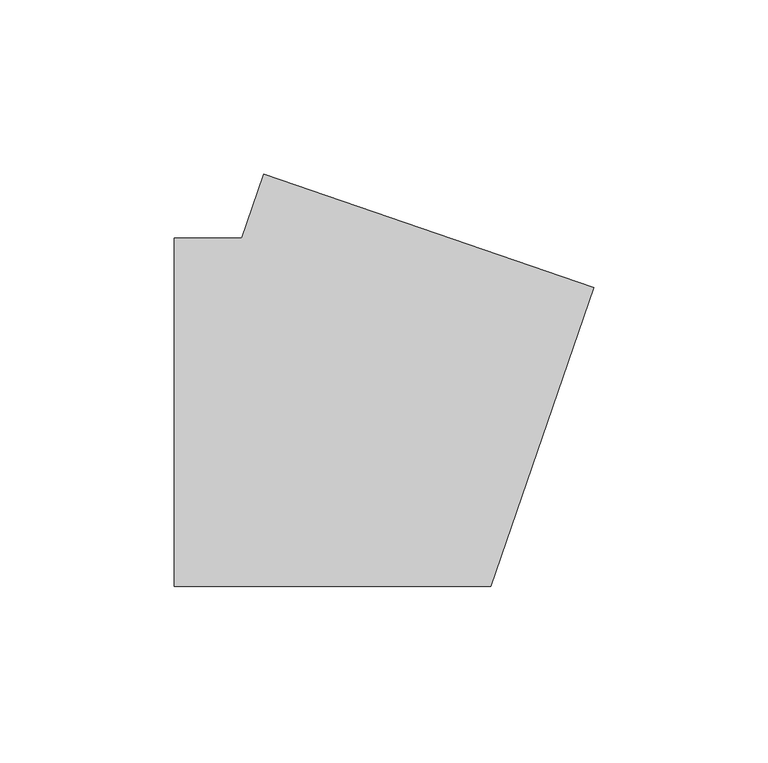
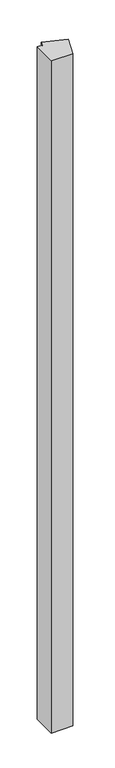
"""IFC4 building model written with IfcOpenShell, lengths in millimetres: member geometry."""

import ifcopenshell
import ifcopenshell.guid

model = None  # the IFC model being written
_history = None  # IfcOwnerHistory: only IFC2X3 demands one
_inside = {}  # id of a spatial element -> (the spatial element, [elements in it])
_under = {}  # id of a project, library or spatial element -> (it, [spatial elements below it])
_declared = {}  # id of a project -> (the project, [libraries it declares])
_typed = {}  # id of a type object -> (the type object, [elements of that type])
_made_of = {}  # id of a material, layer set ... -> (it, [elements and type objects made of it])


def new_model(schema):
    """Start an empty IFC model of exactly this schema.

    Asked for "IFC4X3", IfcOpenShell would pick the latest addendum, in which some entities
    have other attributes; the version numbers below select the first issue.
    IFC2X3 requires an IfcOwnerHistory on every rooted entity: one is made here for all.
    """
    global model, _history
    if schema == "IFC4X3":
        model = ifcopenshell.file(schema_version=(4, 3, 0, 0))
    else:
        model = ifcopenshell.file(schema=schema)
    _inside.clear()
    _under.clear()
    _declared.clear()
    _typed.clear()
    _made_of.clear()
    _history = None
    if model.schema == "IFC2X3":
        org = make("IfcOrganization", Name="unknown")
        user = make(
            "IfcPersonAndOrganization",
            ThePerson=make("IfcPerson", FamilyName="unknown"),
            TheOrganization=org,
        )
        app = make(
            "IfcApplication",
            ApplicationDeveloper=org,
            Version="unknown",
            ApplicationFullName="unknown",
            ApplicationIdentifier="unknown",
        )
        _history = make(
            "IfcOwnerHistory",
            OwningUser=user,
            OwningApplication=app,
            ChangeAction="ADDED",
            CreationDate=0,
        )
    return model


def make(cls, **values):
    """One entity of the class cls with the attributes given. An attribute that is None is left unset."""
    return model.create_entity(
        cls, **{name: value for name, value in values.items() if value is not None}
    )


def rooted(cls, **values):
    """An entity with a GlobalId (a new one), such as an element, a storey or a relation."""
    return make(cls, GlobalId=ifcopenshell.guid.new(), OwnerHistory=_history, **values)


def si_unit(unit_type, name, prefix=None):
    """IfcSIUnit, for example si_unit("LENGTHUNIT", "METRE", prefix="MILLI")."""
    return make("IfcSIUnit", UnitType=unit_type, Prefix=prefix, Name=name)


def assignment(units):
    """IfcUnitAssignment: the units of a project."""
    return None if units is None else make("IfcUnitAssignment", Units=units)


def point(xyz):
    """IfcCartesianPoint."""
    return None if xyz is None else make("IfcCartesianPoint", Coordinates=xyz)


def direction(xyz):
    """IfcDirection."""
    return None if xyz is None else make("IfcDirection", DirectionRatios=xyz)


def frame(location, z_axis=None, x_axis=None):
    """IfcAxis2Placement3D, a coordinate frame: its origin and axes. An axis left out is left unset."""
    return make(
        "IfcAxis2Placement3D",
        Location=point(location),
        Axis=direction(z_axis),
        RefDirection=direction(x_axis),
    )


def origin():
    """The frame at (0, 0, 0) with its axes left unset."""
    return frame((0.0, 0.0, 0.0))


def place(relative_to, where):
    """IfcLocalPlacement: puts the frame where relative to a parent placement (None: the world)."""
    return make(
        "IfcLocalPlacement", PlacementRelTo=relative_to, RelativePlacement=where
    )


def context(
    kind, dimensions, precision=None, world=None, true_north=None, identifier=None
):
    """IfcGeometricRepresentationContext, for example the 3D "Model" context."""
    return make(
        "IfcGeometricRepresentationContext",
        ContextIdentifier=identifier,
        ContextType=kind,
        CoordinateSpaceDimension=dimensions,
        Precision=precision,
        WorldCoordinateSystem=world,
        TrueNorth=true_north,
    )


def project(units=None, contexts=None):
    """IfcProject with its units and contexts."""
    return rooted(
        "IfcProject",
        Name="project",
        RepresentationContexts=contexts,
        UnitsInContext=assignment(units),
    )


def spatial(cls, under=None, at=None, **own):
    """A site, building, storey or space (cls), placed at a placement, below another one or the project."""
    s = rooted(cls, ObjectPlacement=at, **own)
    if under is not None:
        _under.setdefault(under.id(), (under, []))[1].append(s)
    return s


def polyline(points):
    """IfcPolyline through the points."""
    return make("IfcPolyline", Points=[point(p) for p in points])


def outline(outer, holes=None, kind="AREA"):
    """IfcArbitraryClosedProfileDef: a profile drawn as a closed curve; with holes, ...WithVoids."""
    if holes is None:
        return make("IfcArbitraryClosedProfileDef", ProfileType=kind, OuterCurve=outer)
    return make(
        "IfcArbitraryProfileDefWithVoids",
        ProfileType=kind,
        OuterCurve=outer,
        InnerCurves=holes,
    )


def extrude(swept, where, along, depth):
    """IfcExtrudedAreaSolid: the profile swept, set in the frame where, extruded along a direction by depth."""
    return make(
        "IfcExtrudedAreaSolid",
        SweptArea=swept,
        Position=where,
        ExtrudedDirection=direction(along),
        Depth=depth,
    )


def shape(context_of_items, identifier, shape_type, items):
    """IfcShapeRepresentation: the items that make up one representation, for example the "Body"."""
    return make(
        "IfcShapeRepresentation",
        ContextOfItems=context_of_items,
        RepresentationIdentifier=identifier,
        RepresentationType=shape_type,
        Items=items,
    )


def source(mapping_origin, context_of_items, identifier, shape_type, items):
    """IfcRepresentationMap: a shape defined once, which mapped items show again and again."""
    return make(
        "IfcRepresentationMap",
        MappingOrigin=mapping_origin,
        MappedRepresentation=shape(context_of_items, identifier, shape_type, items),
    )


def transform(
    local_origin,
    x_axis=None,
    y_axis=None,
    z_axis=None,
    scale=None,
    scale2=None,
    scale3=None,
    uniform=True,
):
    """IfcCartesianTransformationOperator3D, or its non-uniform kind. x_axis, y_axis, z_axis: its Axis1, 2, 3."""
    if uniform:
        return make(
            "IfcCartesianTransformationOperator3D",
            Axis1=direction(x_axis),
            Axis2=direction(y_axis),
            LocalOrigin=point(local_origin),
            Scale=scale,
            Axis3=direction(z_axis),
        )
    return make(
        "IfcCartesianTransformationOperator3DnonUniform",
        Axis1=direction(x_axis),
        Axis2=direction(y_axis),
        LocalOrigin=point(local_origin),
        Scale=scale,
        Axis3=direction(z_axis),
        Scale2=scale2,
        Scale3=scale3,
    )


def mapped(mapping_source, mapping_target):
    """IfcMappedItem: shows the shape of a source again, moved by a transform."""
    return make(
        "IfcMappedItem", MappingSource=mapping_source, MappingTarget=mapping_target
    )


def made_of(thing, what):
    """Note that an element or type object is made of a material, layer set ...; save() writes the relation."""
    if what is not None:
        _made_of.setdefault(what.id(), (what, []))[1].append(thing)
    return thing


def element(
    cls,
    number,
    at=None,
    inside=None,
    cuts=None,
    type_object=None,
    material=None,
    context=None,
    identifier="Body",
    shape_type=None,
    held_by="IfcProductDefinitionShape",
    body=None,
    shapes=None,
    **own,
):
    """One element of the class cls, such as IfcWall. Its Tag is "e" and its number.

    at: its placement. inside: the storey or other place that contains it. cuts: it is an
    opening in that element (IfcRelVoidsElement). A single representation is given by context,
    identifier, shape_type and body (its items); several are given by shapes. held_by: the class
    of the entity that holds the representations. save() writes the other relations.
    """
    e = rooted(cls, Tag="e%d" % number, ObjectPlacement=at, **own)
    if body is not None:
        shapes = [shape(context, identifier, shape_type, body)]
    if shapes is not None:
        e.Representation = make(held_by, Representations=shapes)
    if inside is not None:
        _inside.setdefault(inside.id(), (inside, []))[1].append(e)
    if cuts is not None:
        rooted(
            "IfcRelVoidsElement", RelatingBuildingElement=cuts, RelatedOpeningElement=e
        )
    if type_object is not None:
        _typed.setdefault(type_object.id(), (type_object, []))[1].append(e)
    return made_of(e, material)


def aggregate(whole, parts):
    """IfcRelAggregates: a whole, such as a stair, and the parts it consists of."""
    return rooted("IfcRelAggregates", RelatingObject=whole, RelatedObjects=parts)


def save(model, path):
    """Write the relations noted so far, then the file.

    IfcRelAggregates (storeys below a building ...), IfcRelContainedInSpatialStructure (elements
    in a storey), IfcRelDefinesByType, IfcRelAssociatesMaterial and IfcRelDeclares: one each for
    every whole, place, type object, material and project.
    """
    for whole, parts in _under.values():
        aggregate(whole, parts)
    for where, things in _inside.values():
        rooted(
            "IfcRelContainedInSpatialStructure",
            RelatedElements=things,
            RelatingStructure=where,
        )
    for kind, things in _typed.values():
        rooted("IfcRelDefinesByType", RelatedObjects=things, RelatingType=kind)
    for what, things in _made_of.values():
        rooted("IfcRelAssociatesMaterial", RelatedObjects=things, RelatingMaterial=what)
    for by, libraries in _declared.values():
        rooted("IfcRelDeclares", RelatingContext=by, RelatedDefinitions=libraries)
    model.write(path)


def member_781ba7dd(model_context):
    return source(origin(), model_context, "Body", "SweptSolid", [
        extrude(outline(polyline([(65.1821773, 35.7251139), (35.6646534, -50.0), (-55.0, -50.0), (-55.0, 50.0), (-35.6646534, 50.0), (-29.3696803, 68.2819294), (65.1821773, 35.7251139)])), frame((0.0, 0.0, -2966.9289604), z_axis=(0.0, 0.0, 1.0), x_axis=(1.0, 0.0, 0.0)), (0.0, 0.0, 1.0), 2966.9289604),
    ])


if __name__ == "__main__":
    model = new_model("IFC4")
    model_context = context("Model", 3, world=origin())
    ifc_project = project(units=[si_unit("LENGTHUNIT", "METRE", prefix="MILLI")], contexts=[model_context])
    site = spatial("IfcSite", under=ifc_project)
    building = spatial("IfcBuilding", under=site)
    placement = place(None, origin())
    member_shape = member_781ba7dd(model_context)
    element("IfcMember", 1, at=placement, inside=building, context=model_context, shape_type="MappedRepresentation", body=[
        mapped(member_shape, transform((0.0, 0.0, 0.0), x_axis=(1.0, 0.0, 0.0), y_axis=(0.0, 1.0, 0.0), z_axis=(0.0, 0.0, 1.0))),
    ])
    save(model, "model.ifc")
